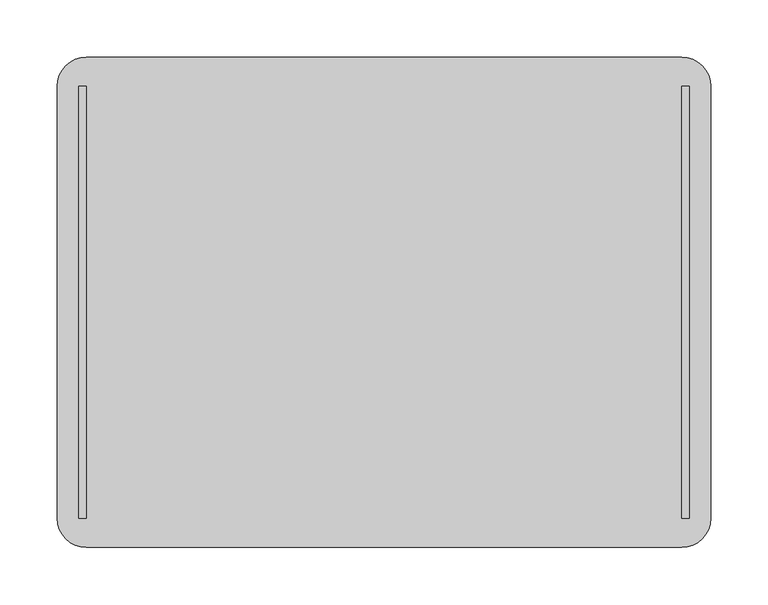
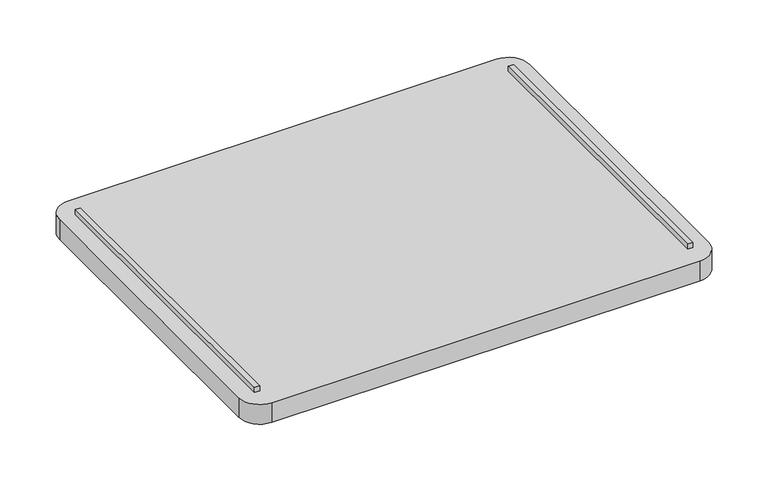
"""IFC4 building model written with IfcOpenShell, lengths in millimetres: furniture geometry."""

from ifc_helpers import new_model, si_unit, point, frame, frame_2d, origin, place, context, project, spatial, polyline, circle_curve, trimmed, segment, composite_curve, outline, extrude, source, transform, mapped, element, save


def furniture_b80f05ad(model_context):
    return source(origin(), model_context, "Body", "SweptSolid", [
        extrude(outline(polyline([(-260.35, -188.9125), (-266.7, -188.9125), (-266.7, 188.9125), (-260.35, 188.9125), (-260.35, -188.9125)])), frame((0.0, 0.0, 643.8646), z_axis=(0.0, 0.0, 1.0), x_axis=(1.0, 0.0, 0.0)), (0.0, 0.0, 1.0), 6.35),
        extrude(outline(polyline([(266.7, -188.9125), (260.35, -188.9125), (260.35, 188.9125), (266.7, 188.9125), (266.7, -188.9125)])), frame((0.0, 0.0, 643.8646), z_axis=(0.0, 0.0, 1.0), x_axis=(1.0, 0.0, 0.0)), (0.0, 0.0, 1.0), 6.35),
        extrude(outline(composite_curve([segment(trimmed(circle_curve(frame_2d((260.35, 188.9125)), 25.4), [point((260.35, 214.3125))], [point((285.75, 188.9125))], False, "CARTESIAN"), True, "CONTINUOUS"), segment(polyline([(285.75, 188.9125), (285.75, -188.9125)]), True, "CONTINUOUS"), segment(trimmed(circle_curve(frame_2d((260.35, -188.9125)), 25.4), [point((285.75, -188.9125))], [point((260.35, -214.3125))], False, "CARTESIAN"), True, "CONTINUOUS"), segment(polyline([(260.35, -214.3125), (-260.35, -214.3125)]), True, "CONTINUOUS"), segment(trimmed(circle_curve(frame_2d((-260.35, -188.9125)), 25.4), [point((-260.35, -214.3125))], [point((-285.75, -188.9125))], False, "CARTESIAN"), True, "CONTINUOUS"), segment(polyline([(-285.75, -188.9125), (-285.75, 188.9125)]), True, "CONTINUOUS"), segment(trimmed(circle_curve(frame_2d((-260.35, 188.9125)), 25.4), [point((-285.75, 188.9125))], [point((-260.35, 214.3125))], False, "CARTESIAN"), True, "CONTINUOUS"), segment(polyline([(-260.35, 214.3125), (260.35, 214.3125)]), True, "CONTINUOUS")], self_intersect=False)), frame((0.0, 0.0, 618.4646), z_axis=(0.0, 0.0, 1.0), x_axis=(1.0, 0.0, 0.0)), (0.0, 0.0, 1.0), 25.4),
    ])


if __name__ == "__main__":
    model = new_model("IFC4")
    model_context = context("Model", 3, world=origin())
    ifc_project = project(units=[si_unit("LENGTHUNIT", "METRE", prefix="MILLI")], contexts=[model_context])
    site = spatial("IfcSite", under=ifc_project)
    building = spatial("IfcBuilding", under=site)
    placement = place(None, origin())
    furniture_shape = furniture_b80f05ad(model_context)
    element("IfcFurniture", 1, at=placement, inside=building, context=model_context, shape_type="MappedRepresentation", body=[
        mapped(furniture_shape, transform((0.0, 0.0, 0.0), x_axis=(1.0, 0.0, 0.0), y_axis=(0.0, 1.0, 0.0), z_axis=(0.0, 0.0, 1.0))),
    ])
    save(model, "model.ifc")
